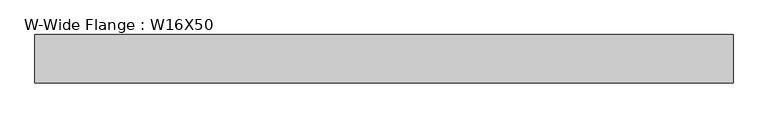
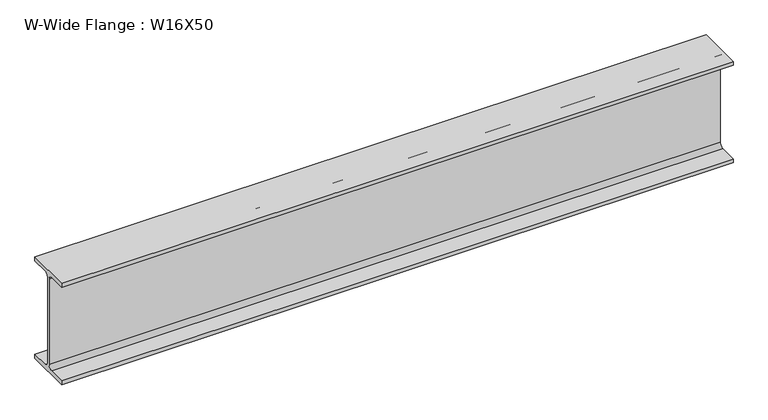
"""IFC4 building model written with IfcOpenShell, lengths in millimetres: beam geometry, W-Wide Flange : W16X50."""

from ifc_helpers import new_model, si_unit, point, frame, frame_2d, origin, place, context, project, spatial, polyline, circle_curve, trimmed, segment, composite_curve, outline, extrude, source, transform, mapped, element, save


def w_wide_flange_w16x50_35fe0a38(model_context):
    return source(origin(), model_context, "Body", "SweptSolid", [
        extrude(outline(composite_curve([segment(polyline([(89.8, -191.0), (89.8, -207.0), (-89.8, -207.0), (-89.8, -191.0), (-22.15, -191.0)]), True, "CONTINUOUS"), segment(trimmed(circle_curve(frame_2d((-22.15, -173.7)), 17.3), [point((-22.15, -191.0))], [point((-4.85, -173.7))], True, "CARTESIAN"), True, "CONTINUOUS"), segment(polyline([(-4.85, -173.7), (-4.85, 173.7)]), True, "CONTINUOUS"), segment(trimmed(circle_curve(frame_2d((-22.15, 173.7)), 17.3), [point((-4.85, 173.7))], [point((-22.15, 191.0))], True, "CARTESIAN"), True, "CONTINUOUS"), segment(polyline([(-22.15, 191.0), (-89.8, 191.0), (-89.8, 207.0), (89.8, 207.0), (89.8, 191.0), (22.15, 191.0)]), True, "CONTINUOUS"), segment(trimmed(circle_curve(frame_2d((22.15, 173.7)), 17.3), [point((22.15, 191.0))], [point((4.85, 173.7))], True, "CARTESIAN"), True, "CONTINUOUS"), segment(polyline([(4.85, 173.7), (4.85, -173.7)]), True, "CONTINUOUS"), segment(trimmed(circle_curve(frame_2d((22.15, -173.7)), 17.3), [point((4.85, -173.7))], [point((22.15, -191.0))], True, "CARTESIAN"), True, "CONTINUOUS"), segment(polyline([(22.15, -191.0), (89.8, -191.0)]), True, "CONTINUOUS")], self_intersect=False)), frame((-1321.3192396, 0.0, 0.0), z_axis=(1.0, 0.0, 0.0), x_axis=(0.0, 1.0, 0.0)), (0.0, 0.0, 1.0), 2593.0803802),
    ])


if __name__ == "__main__":
    model = new_model("IFC4")
    model_context = context("Model", 3, world=origin())
    ifc_project = project(units=[si_unit("LENGTHUNIT", "METRE", prefix="MILLI")], contexts=[model_context])
    site = spatial("IfcSite", under=ifc_project)
    building = spatial("IfcBuilding", under=site)
    placement = place(None, origin())
    w_wide_flange_w16x50_shape = w_wide_flange_w16x50_35fe0a38(model_context)
    element("IfcBeam", 1, ObjectType="W-Wide Flange : W16X50", at=placement, inside=building, context=model_context, shape_type="MappedRepresentation", body=[
        mapped(w_wide_flange_w16x50_shape, transform((0.0, 0.0, 0.0), x_axis=(1.0, 0.0, 0.0), y_axis=(0.0, 1.0, 0.0), z_axis=(0.0, 0.0, 1.0))),
    ])
    save(model, "model.ifc")
